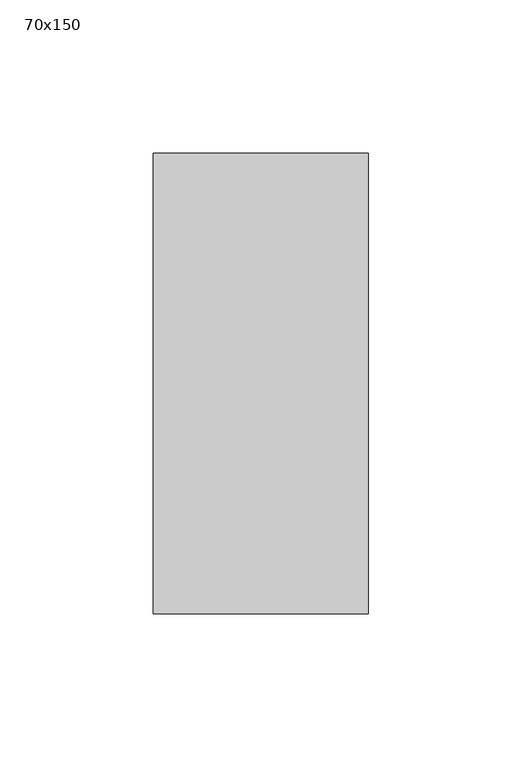
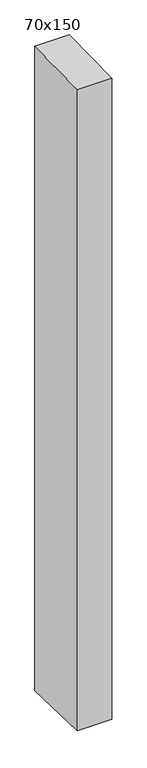
"""IFC4 building model written with IfcOpenShell, lengths in millimetres: member geometry, 70x150."""

from ifc_helpers import new_model, si_unit, frame, origin, place, context, project, spatial, polyline, outline, extrude, source, transform, mapped, element, save


def member_70x150_2ddcd813(model_context):
    return source(origin(), model_context, "Body", "SweptSolid", [
        extrude(outline(polyline([(-75.0, -1.3892003), (75.0, 1.3892003), (75.0, -1384.6614195), (-75.0, -1379.3489896), (-75.0, -1.3892003)])), frame((-70.0, 0.0, 0.0), z_axis=(1.0, 0.0, 0.0), x_axis=(0.0, 1.0, 0.0)), (0.0, 0.0, 1.0), 70.0),
    ])


if __name__ == "__main__":
    model = new_model("IFC4")
    model_context = context("Model", 3, world=origin())
    ifc_project = project(units=[si_unit("LENGTHUNIT", "METRE", prefix="MILLI")], contexts=[model_context])
    site = spatial("IfcSite", under=ifc_project)
    building = spatial("IfcBuilding", under=site)
    placement = place(None, origin())
    member_70x150_shape = member_70x150_2ddcd813(model_context)
    element("IfcMember", 1, ObjectType="70x150", at=placement, inside=building, context=model_context, shape_type="MappedRepresentation", body=[
        mapped(member_70x150_shape, transform((0.0, 0.0, 0.0), x_axis=(1.0, 0.0, 0.0), y_axis=(0.0, 1.0, 0.0), z_axis=(0.0, 0.0, 1.0))),
    ])
    save(model, "model.ifc")
